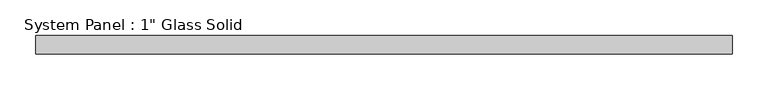
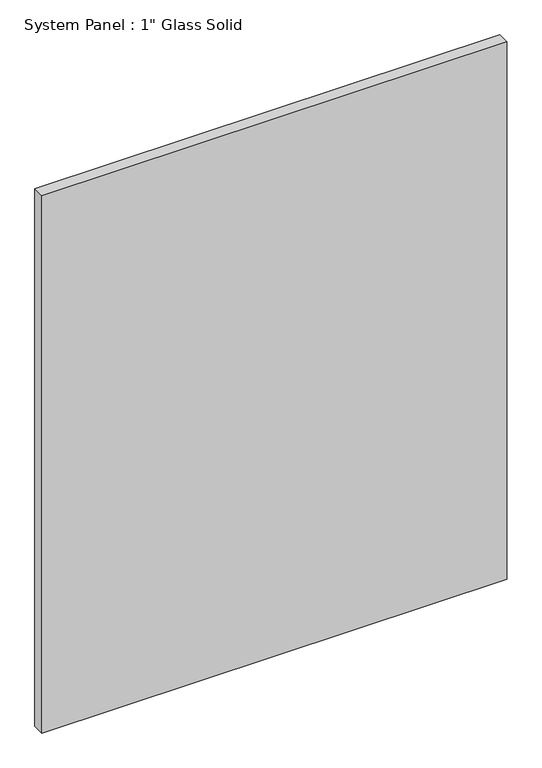
"""IFC4 building model written with IfcOpenShell, lengths in millimetres: plate geometry."""

from ifc_helpers import new_model, si_unit, origin, origin_with_axes, place, context, project, spatial, polyline, outline, extrude, source, transform, mapped, element, save


def plate_ac109781(model_context):
    return source(origin(), model_context, "Body", "SweptSolid", [
        extrude(outline(polyline([(485.7758852, -12.7), (-485.7758852, -12.7), (-485.7758852, 12.7), (485.7758852, 12.7), (485.7758852, -12.7)])), origin_with_axes(), (0.0, 0.0, 1.0), 1187.4517704),
    ])


if __name__ == "__main__":
    model = new_model("IFC4")
    model_context = context("Model", 3, world=origin())
    ifc_project = project(units=[si_unit("LENGTHUNIT", "METRE", prefix="MILLI")], contexts=[model_context])
    site = spatial("IfcSite", under=ifc_project)
    building = spatial("IfcBuilding", under=site)
    placement = place(None, origin())
    plate_shape = plate_ac109781(model_context)
    element("IfcPlate", 1, ObjectType="System Panel : 1\" Glass Solid", at=placement, inside=building, context=model_context, shape_type="MappedRepresentation", body=[
        mapped(plate_shape, transform((0.0, 0.0, 0.0), x_axis=(1.0, 0.0, 0.0), y_axis=(0.0, 1.0, 0.0), z_axis=(0.0, 0.0, 1.0))),
    ])
    save(model, "model.ifc")
